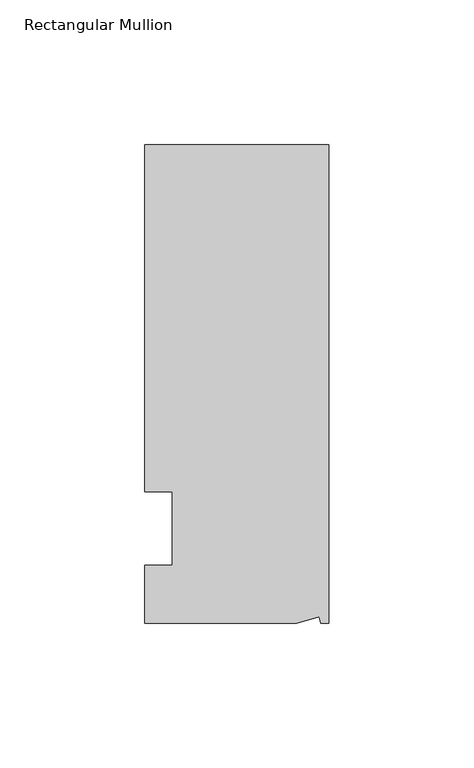
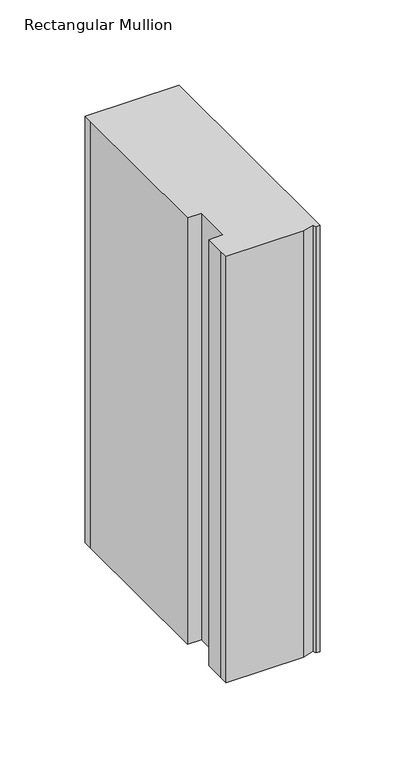
"""IFC4 building model written with IfcOpenShell, lengths in millimetres: member geometry, Rectangular Mullion."""

from ifc_helpers import new_model, si_unit, frame, origin, place, context, project, spatial, polyline, outline, extrude, source, transform, mapped, element, save


def rectangular_mullion_96c92c06(model_context):
    return source(origin(), model_context, "Body", "SweptSolid", [
        extrude(outline(polyline([(0.0, 132.5561012), (0.0, -32.5438988), (-2.7616541, -32.5438988), (-3.3341886, -30.4622958), (-11.121847, -32.5438988), (-63.5, -32.5438988), (-63.5, -26.1938988), (-63.5, -12.5945801), (-53.975, -12.5945801), (-53.975, 12.8054199), (-63.5, 12.8054199), (-63.5, 126.2061012), (-63.5, 132.5561012), (0.0, 132.5561012)])), frame((0.0, 0.0, -304.8), z_axis=(0.0, 0.0, 1.0), x_axis=(1.0, 0.0, 0.0)), (0.0, 0.0, 1.0), 304.8),
    ])


if __name__ == "__main__":
    model = new_model("IFC4")
    model_context = context("Model", 3, world=origin())
    ifc_project = project(units=[si_unit("LENGTHUNIT", "METRE", prefix="MILLI")], contexts=[model_context])
    site = spatial("IfcSite", under=ifc_project)
    building = spatial("IfcBuilding", under=site)
    placement = place(None, origin())
    rectangular_mullion_shape = rectangular_mullion_96c92c06(model_context)
    element("IfcMember", 1, ObjectType="Rectangular Mullion", at=placement, inside=building, context=model_context, shape_type="MappedRepresentation", body=[
        mapped(rectangular_mullion_shape, transform((0.0, 0.0, 0.0), x_axis=(1.0, 0.0, 0.0), y_axis=(0.0, 1.0, 0.0), z_axis=(0.0, 0.0, 1.0))),
    ])
    save(model, "model.ifc")
